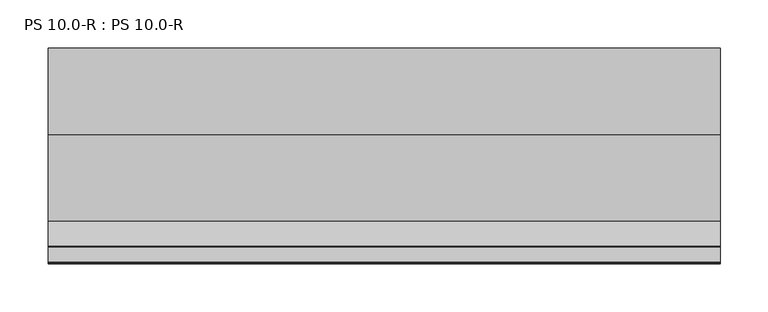
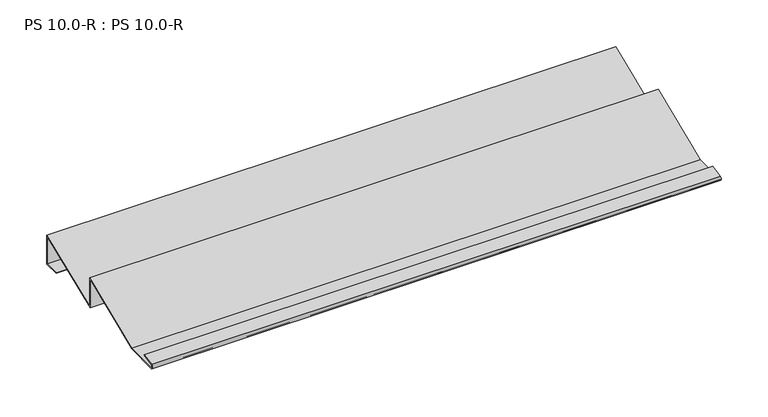
"""IFC4 building model written with IfcOpenShell, lengths in millimetres: proxy geometry, PS 10.0-R : PS 10.0-R."""

from ifc_helpers import new_model, si_unit, point, frame, frame_2d, origin, place, context, project, spatial, polyline, circle_curve, trimmed, segment, composite_curve, outline, extrude, source, transform, mapped, element, save


def ps_10_0_r_ps_10_0_r_1173c630(model_context):
    return source(origin(), model_context, "Body", "SweptSolid", [
        extrude(outline(composite_curve([segment(polyline([(-180.7993204, 0.5), (-91.0, 38.0), (-91.0, 1.0012683), (0.0, 38.0), (0.0, 0.5), (-20.0, 0.5), (-20.0, 1.5), (-1.0, 1.5), (-1.0, 36.4987317), (-92.0, -0.5), (-92.0, 36.4987104), (-180.5989079, -0.5), (-222.7963586, -0.5)]), True, "CONTINUOUS"), segment(trimmed(circle_curve(frame_2d((-221.9700946, 2.4215767)), 3.0361691), [point((-222.7963586, -0.5))], [point((-223.163909, 5.2131944))], False, "CARTESIAN"), True, "CONTINUOUS"), segment(polyline([(-223.163909, 5.2131944), (-207.4140687, 8.2359048), (-207.1307182, 7.2866995), (-222.807341, 4.278041)]), True, "CONTINUOUS"), segment(trimmed(circle_curve(frame_2d((-221.9419644, 2.4153551)), 2.0538928), [point((-222.807341, 4.278041))], [point((-222.6835104, 0.5))], True, "CARTESIAN"), True, "CONTINUOUS"), segment(polyline([(-222.6835104, 0.5), (-180.7993204, 0.5)]), True, "CONTINUOUS")], self_intersect=False)), frame((0.0, 0.0, 0.0), z_axis=(1.0, 0.0, 0.0), x_axis=(0.0, 1.0, 0.0)), (0.0, 0.0, 1.0), 700.0),
    ])


if __name__ == "__main__":
    model = new_model("IFC4")
    model_context = context("Model", 3, world=origin())
    ifc_project = project(units=[si_unit("LENGTHUNIT", "METRE", prefix="MILLI")], contexts=[model_context])
    site = spatial("IfcSite", under=ifc_project)
    building = spatial("IfcBuilding", under=site)
    placement = place(None, origin())
    ps_10_0_r_ps_10_0_r_shape = ps_10_0_r_ps_10_0_r_1173c630(model_context)
    element("IfcBuildingElementProxy", 1, Name="PS 10.0-R : PS 10.0-R", ObjectType="PS 10.0-R : PS 10.0-R", at=placement, inside=building, context=model_context, shape_type="MappedRepresentation", body=[
        mapped(ps_10_0_r_ps_10_0_r_shape, transform((0.0, 0.0, 0.0), x_axis=(1.0, 0.0, 0.0), y_axis=(0.0, 1.0, 0.0), z_axis=(0.0, 0.0, 1.0))),
    ])
    save(model, "model.ifc")
